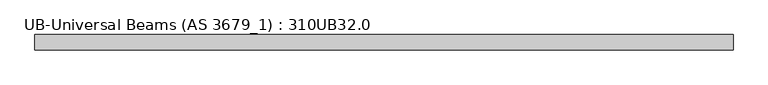
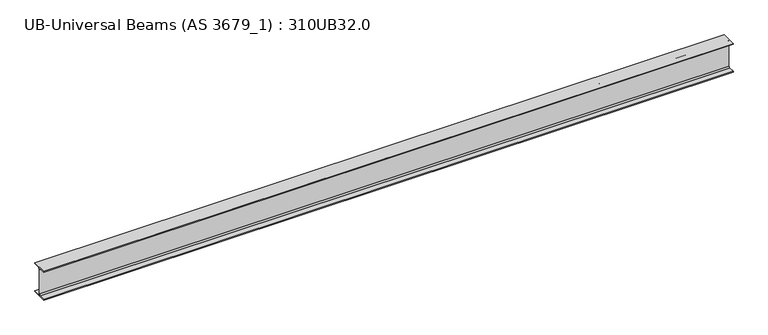
"""IFC4 building model written with IfcOpenShell, lengths in millimetres: beam geometry, UB-Universal Beams (AS 3679_1) : 310UB32.0."""

from ifc_helpers import new_model, si_unit, point, frame, frame_2d, origin, place, context, project, spatial, polyline, circle_curve, trimmed, segment, composite_curve, outline, extrude, source, transform, mapped, element, save


def ub_universal_beams_as_3679_1_310ub32_0_b214431e(model_context):
    return source(origin(), model_context, "Body", "SweptSolid", [
        extrude(outline(composite_curve([segment(polyline([(74.5, -141.0), (74.5, -149.0), (-74.5, -149.0), (-74.5, -141.0), (-15.75, -141.0)]), True, "CONTINUOUS"), segment(trimmed(circle_curve(frame_2d((-15.75, -128.0)), 13.0), [point((-15.75, -141.0))], [point((-2.75, -128.0))], True, "CARTESIAN"), True, "CONTINUOUS"), segment(polyline([(-2.75, -128.0), (-2.75, 128.0)]), True, "CONTINUOUS"), segment(trimmed(circle_curve(frame_2d((-15.75, 128.0)), 13.0), [point((-2.75, 128.0))], [point((-15.75, 141.0))], True, "CARTESIAN"), True, "CONTINUOUS"), segment(polyline([(-15.75, 141.0), (-74.5, 141.0), (-74.5, 149.0), (74.5, 149.0), (74.5, 141.0), (15.75, 141.0)]), True, "CONTINUOUS"), segment(trimmed(circle_curve(frame_2d((15.75, 128.0)), 13.0), [point((15.75, 141.0))], [point((2.75, 128.0))], True, "CARTESIAN"), True, "CONTINUOUS"), segment(polyline([(2.75, 128.0), (2.75, -128.0)]), True, "CONTINUOUS"), segment(trimmed(circle_curve(frame_2d((15.75, -128.0)), 13.0), [point((2.75, -128.0))], [point((15.75, -141.0))], True, "CARTESIAN"), True, "CONTINUOUS"), segment(polyline([(15.75, -141.0), (74.5, -141.0)]), True, "CONTINUOUS")], self_intersect=False)), frame((-3312.8, 0.0, 0.0), z_axis=(1.0, 0.0, 0.0), x_axis=(0.0, 1.0, 0.0)), (0.0, 0.0, 1.0), 6787.3),
    ])


if __name__ == "__main__":
    model = new_model("IFC4")
    model_context = context("Model", 3, world=origin())
    ifc_project = project(units=[si_unit("LENGTHUNIT", "METRE", prefix="MILLI")], contexts=[model_context])
    site = spatial("IfcSite", under=ifc_project)
    building = spatial("IfcBuilding", under=site)
    placement = place(None, origin())
    ub_universal_beams_as_3679_1_310ub32_0_shape = ub_universal_beams_as_3679_1_310ub32_0_b214431e(model_context)
    element("IfcBeam", 1, ObjectType="UB-Universal Beams (AS 3679_1) : 310UB32.0", at=placement, inside=building, context=model_context, shape_type="MappedRepresentation", body=[
        mapped(ub_universal_beams_as_3679_1_310ub32_0_shape, transform((0.0, 0.0, 0.0), x_axis=(1.0, 0.0, 0.0), y_axis=(0.0, 1.0, 0.0), z_axis=(0.0, 0.0, 1.0))),
    ])
    save(model, "model.ifc")
